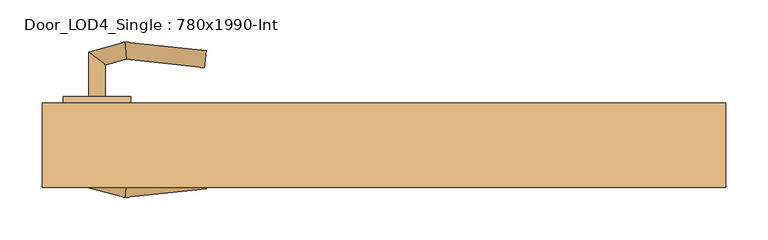
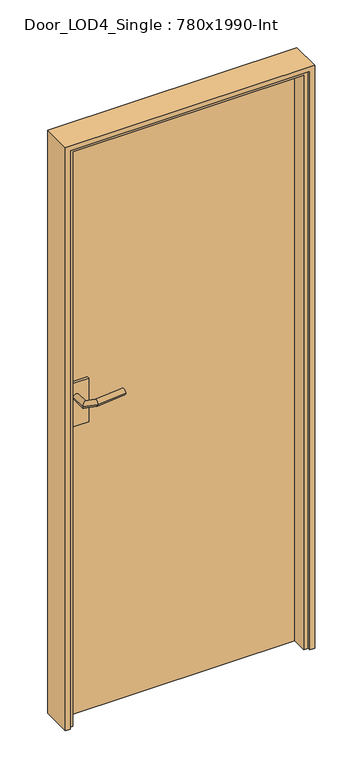
"""IFC4 building model written with IfcOpenShell, lengths in millimetres: door geometry, Door_LOD4_Single : 780x1990-Int."""

from ifc_helpers import new_model, si_unit, frame, origin, origin_with_axes, place, context, project, spatial, polyline, circle_curve, ellipse_curve, outline, extrude, faceted_brep, source, transform, mapped, element, save
from ifc_brep_helpers import plane_surface, cylinder_surface, advanced_brep


def door_lod4_single_780x1990_int_b5e59289(model_context):
    return source(origin(), model_context, "Body", "SolidModel", [
        extrude(outline(polyline([(390.0, 10.0), (-390.0, 10.0), (-390.0, 50.0), (390.0, 50.0), (390.0, 10.0)])), origin_with_axes(), (0.0, 0.0, 1.0), 1990.0000797),
        advanced_brep(
        [(-350.0, 2.0, 1095.0000398), (-330.0, 2.0, 1095.0000398), (-330.0, -35.3267301, 1095.0000398), (-350.0, -50.6732699, 1095.0000398), (-305.3947841, -41.9196778, 1095.0000398), (-306.9904081, -62.1976553, 1095.0000398), (-210.6930557, -52.0736521, 1095.0000398), (-212.7841855, -32.1832731, 1095.0000398)],
        [
            (0, 1, circle_curve(frame((-340.0, 2.0, 1095.0000398), z_axis=(0.0, 1.0, 0.0), x_axis=(1.0, 0.0, 0.0)), 10.0)),
            (1, 0, circle_curve(frame((-340.0, 2.0, 1095.0000398), z_axis=(0.0, 1.0, 0.0), x_axis=(1.0, 0.0, 0.0)), 10.0)),
            (1, 2),
            (2, 3, ellipse_curve(frame((-340.0, -43.0, 1095.0000398), z_axis=(-0.6087614290087403, 0.79335334029122, 0.0), x_axis=(0.7933533402912198, 0.6087614290087406, 0.0)), 12.6047241, 10.0)),
            (3, 0),
            (3, 2, ellipse_curve(frame((-340.0, -43.0, 1095.0000398), z_axis=(-0.6087614290087403, 0.79335334029122, 0.0), x_axis=(0.7933533402912198, 0.6087614290087406, 0.0)), 12.6047241, 10.0)),
            (2, 4),
            (4, 5, ellipse_curve(frame((-306.1925961, -52.0586666, 1095.0000398), z_axis=(-0.9969184391323764, 0.07844504903348702, 0.0), x_axis=(0.07844504903348593, 0.9969184391323765, 0.0)), 10.1703292, 10.0)),
            (5, 3),
            (5, 4, ellipse_curve(frame((-306.1925961, -52.0586666, 1095.0000398), z_axis=(-0.9969184391323764, 0.07844504903348702, 0.0), x_axis=(0.07844504903348593, 0.9969184391323765, 0.0)), 10.1703292, 10.0)),
            (6, 7, circle_curve(frame((-211.7386206, -42.1284626, 1095.0000398), z_axis=(0.9945189493358518, 0.10455648909519343, 0.0), x_axis=(-0.10455648909519343, 0.9945189493358518, 0.0)), 10.0)),
            (7, 6, circle_curve(frame((-211.7386206, -42.1284626, 1095.0000398), z_axis=(0.9945189493358518, 0.10455648909519343, 0.0), x_axis=(-0.10455648909519343, 0.9945189493358518, 0.0)), 10.0)),
            (4, 7),
            (6, 5),
        ],
        [
            plane_surface(frame((-340.0, 2.0, 1095.0000398), z_axis=(0.0, 1.0, 0.0), x_axis=(0.0, 0.0, 1.0))),
            cylinder_surface(frame((-340.0, 2.0, 1095.0000398), z_axis=(0.0, 1.0, 0.0), x_axis=(1.0, 0.0, 0.0)), 10.0),
            cylinder_surface(frame((-340.0, -43.0, 1095.0000398), z_axis=(-0.965925826289083, 0.2588190451024665, 0.0), x_axis=(0.2588190451024665, 0.965925826289083, 0.0)), 10.0),
            plane_surface(frame((-211.7386206, -42.1284626, 1095.0000398), z_axis=(0.9945189493358518, 0.10455648909519348, 0.0), x_axis=(0.0, 0.0, 1.0))),
            cylinder_surface(frame((-306.1925961, -52.0586666, 1095.0000398), z_axis=(-0.9945189493358518, -0.10455648909519343, 0.0), x_axis=(-0.10455648909519343, 0.9945189493358518, 0.0)), 10.0),
        ],
        [
            (0, [[1, 2]]),
            (1, [[3, 4, 5, -2]]),
            (1, [[-5, 6, -3, -1]]),
            (2, [[7, 8, 9, -4]]),
            (2, [[-9, 10, -7, -6]]),
            (3, [[11, 12]]),
            (4, [[13, -11, 14, -8]]),
            (4, [[-14, -12, -13, -10]]),
        ],
    ),
        extrude(outline(polyline([(-380.0, 2.0), (-380.0, 10.0), (-300.0, 10.0), (-300.0, 2.0), (-380.0, 2.0)])), frame((0.0, 0.0, 995.0000398), z_axis=(0.0, 0.0, 1.0), x_axis=(1.0, 0.0, 0.0)), (0.0, 0.0, 1.0), 150.0),
        advanced_brep(
        [(-350.0, 58.0, 1095.0000398), (-330.0, 58.0, 1095.0000398), (-350.0, 110.6732699, 1095.0000398), (-330.0, 95.3267301, 1095.0000398), (-306.9904081, 122.1976553, 1095.0000398), (-305.3947841, 101.9196778, 1095.0000398), (-210.6930557, 112.0736521, 1095.0000398), (-212.7841855, 92.1832731, 1095.0000398)],
        [
            (0, 1, circle_curve(frame((-340.0, 58.0, 1095.0000398), z_axis=(0.0, -1.0, 0.0), x_axis=(1.0, 0.0, 0.0)), 10.0)),
            (1, 0, circle_curve(frame((-340.0, 58.0, 1095.0000398), z_axis=(0.0, -1.0, 0.0), x_axis=(1.0, 0.0, 0.0)), 10.0)),
            (0, 2),
            (2, 3, ellipse_curve(frame((-340.0, 103.0, 1095.0000398), z_axis=(-0.6087614290087454, -0.793353340291216, 0.0), x_axis=(0.793353340291216, -0.6087614290087459, 0.0)), 12.6047241, 10.0)),
            (3, 1),
            (3, 2, ellipse_curve(frame((-340.0, 103.0, 1095.0000398), z_axis=(-0.6087614290087454, -0.793353340291216, 0.0), x_axis=(0.793353340291216, -0.6087614290087459, 0.0)), 12.6047241, 10.0)),
            (2, 4),
            (4, 5, ellipse_curve(frame((-306.1925961, 112.0586666, 1095.0000398), z_axis=(-0.9969184391323771, -0.07844504903348057, 0.0), x_axis=(0.07844504903348166, -0.9969184391323769, 0.0)), 10.1703292, 10.0)),
            (5, 3),
            (5, 4, ellipse_curve(frame((-306.1925961, 112.0586666, 1095.0000398), z_axis=(-0.9969184391323771, -0.07844504903348057, 0.0), x_axis=(0.07844504903348166, -0.9969184391323769, 0.0)), 10.1703292, 10.0)),
            (6, 7, circle_curve(frame((-211.7386206, 102.1284626, 1095.0000398), z_axis=(0.9945189493358512, -0.10455648909519989, 0.0), x_axis=(-0.10455648909519989, -0.9945189493358512, 0.0)), 10.0)),
            (7, 6, circle_curve(frame((-211.7386206, 102.1284626, 1095.0000398), z_axis=(0.9945189493358512, -0.10455648909519989, 0.0), x_axis=(-0.10455648909519989, -0.9945189493358512, 0.0)), 10.0)),
            (4, 6),
            (7, 5),
        ],
        [
            plane_surface(frame((-340.0, 58.0, 1095.0000398), z_axis=(0.0, -1.0, 0.0), x_axis=(0.0, 0.0, 1.0))),
            cylinder_surface(frame((-340.0, 58.0, 1095.0000398), z_axis=(0.0, -1.0, 0.0), x_axis=(1.0, 0.0, 0.0)), 10.0),
            cylinder_surface(frame((-340.0, 103.0, 1095.0000398), z_axis=(-0.9659258262890846, -0.25881904510246023, 0.0), x_axis=(0.25881904510246023, -0.9659258262890846, 0.0)), 10.0),
            plane_surface(frame((-211.7386206, 102.1284626, 1095.0000398), z_axis=(0.9945189493358512, -0.10455648909519995, 0.0), x_axis=(0.0, 0.0, 1.0))),
            cylinder_surface(frame((-306.1925961, 112.0586666, 1095.0000398), z_axis=(-0.9945189493358512, 0.10455648909519989, 0.0), x_axis=(-0.10455648909519989, -0.9945189493358512, 0.0)), 10.0),
        ],
        [
            (0, [[1, 2]]),
            (1, [[-1, 3, 4, 5]]),
            (1, [[-2, -5, 6, -3]]),
            (2, [[-4, 7, 8, 9]]),
            (2, [[-6, -9, 10, -7]]),
            (3, [[11, 12]]),
            (4, [[-8, 13, -12, 14]]),
            (4, [[-10, -14, -11, -13]]),
        ],
    ),
        extrude(outline(polyline([(-380.0, 58.0), (-300.0, 58.0), (-300.0, 50.0), (-380.0, 50.0), (-380.0, 58.0)])), frame((0.0, 0.0, 995.0000398), z_axis=(0.0, 0.0, 1.0), x_axis=(1.0, 0.0, 0.0)), (0.0, 0.0, 1.0), 150.0),
        extrude(outline(polyline([(1990.0000797, -390.0), (0.0, -390.0), (0.0, -375.0), (1975.0000797, -375.0), (1975.0000797, 375.0), (0.0, 375.0), (0.0, 390.0), (1990.0000797, 390.0), (1990.0000797, -390.0)])), frame((0.0, -40.0, 0.0), z_axis=(0.0, 1.0, 0.0), x_axis=(0.0, 0.0, 1.0)), (0.0, 0.0, 1.0), 50.0),
        faceted_brep([(-405.0, -50.0, 2005.0000797), (-405.0, -50.0, 0.0), (-390.0, -50.0, 0.0), (-390.0, -50.0, 1990.0000797), (390.0, -50.0, 1990.0000797), (390.0, -50.0, 0.0), (405.0, -50.0, 0.0), (405.0, -50.0, 2005.0000797), (-405.0, 50.0, 2005.0000797), (405.0, 50.0, 2005.0000797), (405.0, 50.0, 0.0), (390.0, 50.0, 0.0), (390.0, 50.0, 1990.0000797), (-390.0, 50.0, 1990.0000797), (-390.0, 50.0, 0.0), (-405.0, 50.0, 0.0), (-390.0, -40.0, 0.0), (-390.0, -40.0, 1990.0000797), (390.0, -40.0, 1990.0000797), (390.0, -40.0, 0.0)], [[[0, 1, 2, 3, 4, 5, 6, 7]], [[8, 9, 10, 11, 12, 13, 14, 15]], [[1, 0, 8, 15]], [[2, 1, 15, 14, 16]], [[3, 2, 16, 14, 13, 17]], [[4, 3, 17, 13, 12, 18]], [[5, 4, 18, 12, 11, 19]], [[6, 5, 19, 11, 10]], [[7, 6, 10, 9]], [[0, 7, 9, 8]]]),
    ])


if __name__ == "__main__":
    model = new_model("IFC4")
    model_context = context("Model", 3, world=origin())
    ifc_project = project(units=[si_unit("LENGTHUNIT", "METRE", prefix="MILLI")], contexts=[model_context])
    site = spatial("IfcSite", under=ifc_project)
    building = spatial("IfcBuilding", under=site)
    placement = place(None, origin())
    door_lod4_single_780x1990_int_shape = door_lod4_single_780x1990_int_b5e59289(model_context)
    element("IfcDoor", 1, ObjectType="Door_LOD4_Single : 780x1990-Int", at=placement, inside=building, context=model_context, shape_type="MappedRepresentation", body=[
        mapped(door_lod4_single_780x1990_int_shape, transform((0.0, 0.0, 0.0), x_axis=(1.0, 0.0, 0.0), y_axis=(0.0, 1.0, 0.0), z_axis=(0.0, 0.0, 1.0))),
    ])
    save(model, "model.ifc")
